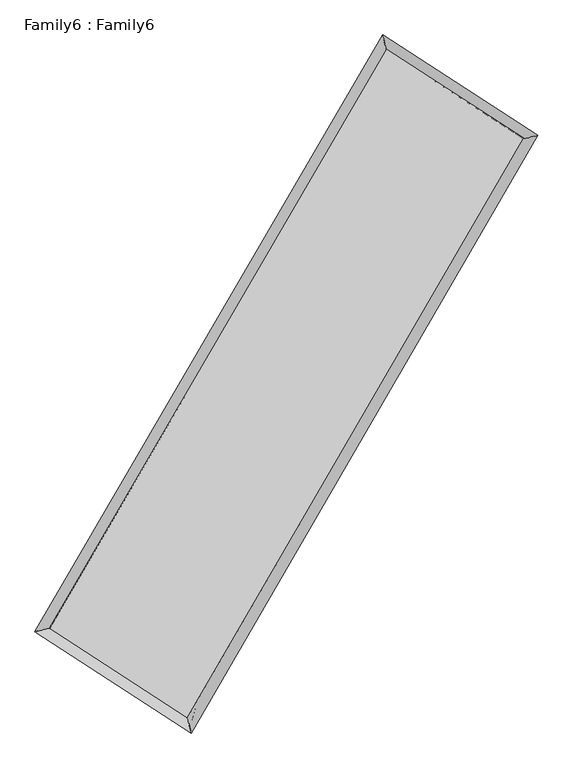
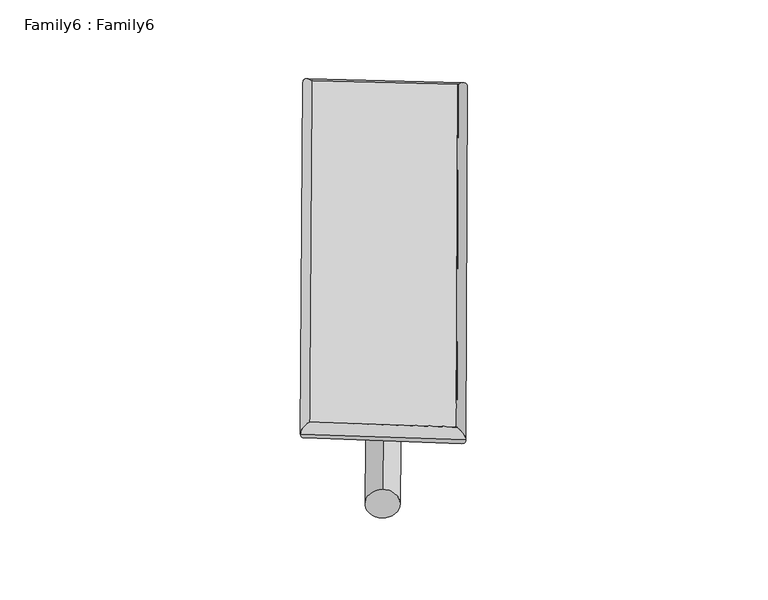
"""IFC4 building model written with IfcOpenShell, lengths in millimetres: plate geometry, Family6 : Family6."""

import ifcopenshell
import ifcopenshell.guid

model = None  # the IFC model being written
_history = None  # IfcOwnerHistory: only IFC2X3 demands one
_inside = {}  # id of a spatial element -> (the spatial element, [elements in it])
_under = {}  # id of a project, library or spatial element -> (it, [spatial elements below it])
_declared = {}  # id of a project -> (the project, [libraries it declares])
_typed = {}  # id of a type object -> (the type object, [elements of that type])
_made_of = {}  # id of a material, layer set ... -> (it, [elements and type objects made of it])


def new_model(schema):
    """Start an empty IFC model of exactly this schema.

    Asked for "IFC4X3", IfcOpenShell would pick the latest addendum, in which some entities
    have other attributes; the version numbers below select the first issue.
    IFC2X3 requires an IfcOwnerHistory on every rooted entity: one is made here for all.
    """
    global model, _history
    if schema == "IFC4X3":
        model = ifcopenshell.file(schema_version=(4, 3, 0, 0))
    else:
        model = ifcopenshell.file(schema=schema)
    _inside.clear()
    _under.clear()
    _declared.clear()
    _typed.clear()
    _made_of.clear()
    _history = None
    if model.schema == "IFC2X3":
        org = make("IfcOrganization", Name="unknown")
        user = make(
            "IfcPersonAndOrganization",
            ThePerson=make("IfcPerson", FamilyName="unknown"),
            TheOrganization=org,
        )
        app = make(
            "IfcApplication",
            ApplicationDeveloper=org,
            Version="unknown",
            ApplicationFullName="unknown",
            ApplicationIdentifier="unknown",
        )
        _history = make(
            "IfcOwnerHistory",
            OwningUser=user,
            OwningApplication=app,
            ChangeAction="ADDED",
            CreationDate=0,
        )
    return model


def make(cls, **values):
    """One entity of the class cls with the attributes given. An attribute that is None is left unset."""
    return model.create_entity(
        cls, **{name: value for name, value in values.items() if value is not None}
    )


def rooted(cls, **values):
    """An entity with a GlobalId (a new one), such as an element, a storey or a relation."""
    return make(cls, GlobalId=ifcopenshell.guid.new(), OwnerHistory=_history, **values)


def si_unit(unit_type, name, prefix=None):
    """IfcSIUnit, for example si_unit("LENGTHUNIT", "METRE", prefix="MILLI")."""
    return make("IfcSIUnit", UnitType=unit_type, Prefix=prefix, Name=name)


def assignment(units):
    """IfcUnitAssignment: the units of a project."""
    return None if units is None else make("IfcUnitAssignment", Units=units)


def point(xyz):
    """IfcCartesianPoint."""
    return None if xyz is None else make("IfcCartesianPoint", Coordinates=xyz)


def direction(xyz):
    """IfcDirection."""
    return None if xyz is None else make("IfcDirection", DirectionRatios=xyz)


def frame(location, z_axis=None, x_axis=None):
    """IfcAxis2Placement3D, a coordinate frame: its origin and axes. An axis left out is left unset."""
    return make(
        "IfcAxis2Placement3D",
        Location=point(location),
        Axis=direction(z_axis),
        RefDirection=direction(x_axis),
    )


def frame_2d(location, x_axis=None):
    """IfcAxis2Placement2D, a coordinate frame in the plane: its origin and x axis."""
    return make(
        "IfcAxis2Placement2D", Location=point(location), RefDirection=direction(x_axis)
    )


def origin():
    """The frame at (0, 0, 0) with its axes left unset."""
    return frame((0.0, 0.0, 0.0))


def origin_2d():
    """The frame at (0, 0) in the plane with its x axis left unset."""
    return frame_2d((0.0, 0.0))


def place(relative_to, where):
    """IfcLocalPlacement: puts the frame where relative to a parent placement (None: the world)."""
    return make(
        "IfcLocalPlacement", PlacementRelTo=relative_to, RelativePlacement=where
    )


def context(
    kind, dimensions, precision=None, world=None, true_north=None, identifier=None
):
    """IfcGeometricRepresentationContext, for example the 3D "Model" context."""
    return make(
        "IfcGeometricRepresentationContext",
        ContextIdentifier=identifier,
        ContextType=kind,
        CoordinateSpaceDimension=dimensions,
        Precision=precision,
        WorldCoordinateSystem=world,
        TrueNorth=true_north,
    )


def project(units=None, contexts=None):
    """IfcProject with its units and contexts."""
    return rooted(
        "IfcProject",
        Name="project",
        RepresentationContexts=contexts,
        UnitsInContext=assignment(units),
    )


def spatial(cls, under=None, at=None, **own):
    """A site, building, storey or space (cls), placed at a placement, below another one or the project."""
    s = rooted(cls, ObjectPlacement=at, **own)
    if under is not None:
        _under.setdefault(under.id(), (under, []))[1].append(s)
    return s


def circle_curve(where, radius):
    """IfcCircle in the frame where."""
    return make("IfcCircle", Position=where, Radius=radius)


def ellipse_curve(where, semi_axis1, semi_axis2):
    """IfcEllipse in the frame where."""
    return make(
        "IfcEllipse", Position=where, SemiAxis1=semi_axis1, SemiAxis2=semi_axis2
    )


def trimmed(basis, trim1, trim2, sense, master):
    """IfcTrimmedCurve: the piece of a basis curve between two trims."""
    return make(
        "IfcTrimmedCurve",
        BasisCurve=basis,
        Trim1=trim1,
        Trim2=trim2,
        SenseAgreement=sense,
        MasterRepresentation=master,
    )


def segment(curve, same_sense, transition):
    """IfcCompositeCurveSegment."""
    return make(
        "IfcCompositeCurveSegment",
        Transition=transition,
        SameSense=same_sense,
        ParentCurve=curve,
    )


def composite_curve(segments, self_intersect=None):
    """IfcCompositeCurve: segments joined end to end."""
    return make("IfcCompositeCurve", Segments=segments, SelfIntersect=self_intersect)


def outline(outer, holes=None, kind="AREA"):
    """IfcArbitraryClosedProfileDef: a profile drawn as a closed curve; with holes, ...WithVoids."""
    if holes is None:
        return make("IfcArbitraryClosedProfileDef", ProfileType=kind, OuterCurve=outer)
    return make(
        "IfcArbitraryProfileDefWithVoids",
        ProfileType=kind,
        OuterCurve=outer,
        InnerCurves=holes,
    )


def extrude(swept, where, along, depth):
    """IfcExtrudedAreaSolid: the profile swept, set in the frame where, extruded along a direction by depth."""
    return make(
        "IfcExtrudedAreaSolid",
        SweptArea=swept,
        Position=where,
        ExtrudedDirection=direction(along),
        Depth=depth,
    )


def shape(context_of_items, identifier, shape_type, items):
    """IfcShapeRepresentation: the items that make up one representation, for example the "Body"."""
    return make(
        "IfcShapeRepresentation",
        ContextOfItems=context_of_items,
        RepresentationIdentifier=identifier,
        RepresentationType=shape_type,
        Items=items,
    )


def source(mapping_origin, context_of_items, identifier, shape_type, items):
    """IfcRepresentationMap: a shape defined once, which mapped items show again and again."""
    return make(
        "IfcRepresentationMap",
        MappingOrigin=mapping_origin,
        MappedRepresentation=shape(context_of_items, identifier, shape_type, items),
    )


def transform(
    local_origin,
    x_axis=None,
    y_axis=None,
    z_axis=None,
    scale=None,
    scale2=None,
    scale3=None,
    uniform=True,
):
    """IfcCartesianTransformationOperator3D, or its non-uniform kind. x_axis, y_axis, z_axis: its Axis1, 2, 3."""
    if uniform:
        return make(
            "IfcCartesianTransformationOperator3D",
            Axis1=direction(x_axis),
            Axis2=direction(y_axis),
            LocalOrigin=point(local_origin),
            Scale=scale,
            Axis3=direction(z_axis),
        )
    return make(
        "IfcCartesianTransformationOperator3DnonUniform",
        Axis1=direction(x_axis),
        Axis2=direction(y_axis),
        LocalOrigin=point(local_origin),
        Scale=scale,
        Axis3=direction(z_axis),
        Scale2=scale2,
        Scale3=scale3,
    )


def mapped(mapping_source, mapping_target):
    """IfcMappedItem: shows the shape of a source again, moved by a transform."""
    return make(
        "IfcMappedItem", MappingSource=mapping_source, MappingTarget=mapping_target
    )


def made_of(thing, what):
    """Note that an element or type object is made of a material, layer set ...; save() writes the relation."""
    if what is not None:
        _made_of.setdefault(what.id(), (what, []))[1].append(thing)
    return thing


def element(
    cls,
    number,
    at=None,
    inside=None,
    cuts=None,
    type_object=None,
    material=None,
    context=None,
    identifier="Body",
    shape_type=None,
    held_by="IfcProductDefinitionShape",
    body=None,
    shapes=None,
    **own,
):
    """One element of the class cls, such as IfcWall. Its Tag is "e" and its number.

    at: its placement. inside: the storey or other place that contains it. cuts: it is an
    opening in that element (IfcRelVoidsElement). A single representation is given by context,
    identifier, shape_type and body (its items); several are given by shapes. held_by: the class
    of the entity that holds the representations. save() writes the other relations.
    """
    e = rooted(cls, Tag="e%d" % number, ObjectPlacement=at, **own)
    if body is not None:
        shapes = [shape(context, identifier, shape_type, body)]
    if shapes is not None:
        e.Representation = make(held_by, Representations=shapes)
    if inside is not None:
        _inside.setdefault(inside.id(), (inside, []))[1].append(e)
    if cuts is not None:
        rooted(
            "IfcRelVoidsElement", RelatingBuildingElement=cuts, RelatedOpeningElement=e
        )
    if type_object is not None:
        _typed.setdefault(type_object.id(), (type_object, []))[1].append(e)
    return made_of(e, material)


def aggregate(whole, parts):
    """IfcRelAggregates: a whole, such as a stair, and the parts it consists of."""
    return rooted("IfcRelAggregates", RelatingObject=whole, RelatedObjects=parts)


def save(model, path):
    """Write the relations noted so far, then the file.

    IfcRelAggregates (storeys below a building ...), IfcRelContainedInSpatialStructure (elements
    in a storey), IfcRelDefinesByType, IfcRelAssociatesMaterial and IfcRelDeclares: one each for
    every whole, place, type object, material and project.
    """
    for whole, parts in _under.values():
        aggregate(whole, parts)
    for where, things in _inside.values():
        rooted(
            "IfcRelContainedInSpatialStructure",
            RelatedElements=things,
            RelatingStructure=where,
        )
    for kind, things in _typed.values():
        rooted("IfcRelDefinesByType", RelatedObjects=things, RelatingType=kind)
    for what, things in _made_of.values():
        rooted("IfcRelAssociatesMaterial", RelatedObjects=things, RelatingMaterial=what)
    for by, libraries in _declared.values():
        rooted("IfcRelDeclares", RelatingContext=by, RelatedDefinitions=libraries)
    model.write(path)


def plane_surface(at):
    """IfcPlane: the flat surface through the origin of the frame at, square to its z axis."""
    return make("IfcPlane", Position=at)


def cylinder_surface(at, radius):
    """IfcCylindricalSurface: all points at the distance radius from the z axis of the frame at."""
    return make("IfcCylindricalSurface", Position=at, Radius=radius)


def spline_surface(u_degree, v_degree, points, u_multiplicities, v_multiplicities, u_knots, v_knots, weights=None):
    """IfcBSplineSurfaceWithKnots; with weights, IfcRationalBSplineSurfaceWithKnots. points: one row for each step in u."""
    own = dict(
        UDegree=u_degree,
        VDegree=v_degree,
        ControlPointsList=[[point(p) for p in row] for row in points],
        SurfaceForm="UNSPECIFIED",
        UClosed=False,
        VClosed=False,
        SelfIntersect=False,
        UMultiplicities=u_multiplicities,
        VMultiplicities=v_multiplicities,
        UKnots=u_knots,
        VKnots=v_knots,
        KnotSpec="UNSPECIFIED",
    )
    if weights is None:
        return make("IfcBSplineSurfaceWithKnots", **own)
    return make("IfcRationalBSplineSurfaceWithKnots", WeightsData=weights, **own)


def advanced_brep(points, edges, surfaces, faces):
    """IfcAdvancedBrep: a solid bounded by faces that lie on surfaces and meet in shared edges.

    An edge is (start, end): straight between two places in points (the first is 0);
    or (start, end, curve); or (start, end, curve, False) where it runs against its curve.
    A face is (place in surfaces, loops), or (place, loops, False) where it looks against
    its surface's normal. A loop lists edges by number (the first is 1), with a minus sign
    where the edge is run from its end to its start. The first loop is the outer one.
    """
    corners = [point(p) for p in points]
    vertices = [make("IfcVertexPoint", VertexGeometry=c) for c in corners]
    made = []
    for start, end, *more in edges:
        made.append(
            make(
                "IfcEdgeCurve",
                EdgeStart=vertices[start],
                EdgeEnd=vertices[end],
                EdgeGeometry=more[0] if more else make("IfcPolyline", Points=[corners[start], corners[end]]),
                SameSense=more[1] if len(more) > 1 else True,
            )
        )
    hull = []
    for where, loops, *sense in faces:
        bounds = []
        for j, loop in enumerate(loops):
            ring = [make("IfcOrientedEdge", EdgeElement=made[abs(k) - 1], Orientation=k > 0) for k in loop]
            bounds.append(
                make(
                    "IfcFaceOuterBound" if j == 0 else "IfcFaceBound",
                    Bound=make("IfcEdgeLoop", EdgeList=ring),
                    Orientation=True,
                )
            )
        hull.append(make("IfcAdvancedFace", Bounds=bounds, FaceSurface=surfaces[where], SameSense=sense[0] if sense else True))
    return make("IfcAdvancedBrep", Outer=make("IfcClosedShell", CfsFaces=hull))


def family6_family6_4eb03f45(model_context):
    return source(origin(), model_context, "Body", "SolidModel", [
        extrude(outline(composite_curve([segment(trimmed(circle_curve(origin_2d(), 76.2), [point((-75.4341515, -10.7763074))], [point((75.4341515, 10.7763074))], False, "CARTESIAN"), True, "CONTINUOUS"), segment(trimmed(circle_curve(origin_2d(), 76.2), [point((75.4341515, 10.7763074))], [point((-75.4341515, -10.7763074))], False, "CARTESIAN"), True, "CONTINUOUS")], self_intersect=False)), frame((9144.0, 9144.0, 0.0), z_axis=(0.6694276860364113, 0.6893095331258828, 0.2769818418411458), x_axis=(-0.6815629321630439, 0.7182154028982458, -0.14013780553806499)), (0.0, 0.0, 1.0), 5526.3409001),
        extrude(outline(composite_curve([segment(trimmed(circle_curve(origin_2d(), 76.2), [point((-53.8815367, 53.8815367))], [point((53.8815367, -53.8815367))], False, "CARTESIAN"), True, "CONTINUOUS"), segment(trimmed(circle_curve(origin_2d(), 76.2), [point((53.8815367, -53.8815367))], [point((-53.8815367, 53.8815367))], False, "CARTESIAN"), True, "CONTINUOUS")], self_intersect=False)), frame((9144.0, 9144.0, 0.0), z_axis=(-0.6707312588875749, -0.688051111252189, 0.2769571206084378), x_axis=(0.6444685154934929, -0.35581895968030575, 0.6767962769324596)), (0.0, 0.0, 1.0), 5526.9109281),
        extrude(outline(composite_curve([segment(trimmed(circle_curve(origin_2d(), 76.2), [point((-53.8815367, -53.8815368))], [point((53.8815367, 53.8815368))], False, "CARTESIAN"), True, "CONTINUOUS"), segment(trimmed(circle_curve(origin_2d(), 76.2), [point((53.8815367, 53.8815368))], [point((-53.8815367, -53.8815368))], False, "CARTESIAN"), True, "CONTINUOUS")], self_intersect=False)), frame((9144.0, 9144.0, 0.0), z_axis=(0.2737367553535247, 0.9235216247977591, 0.268655908737239), x_axis=(-0.8394085436652027, 0.36575345629451594, -0.4020170469401507)), (0.0, 0.0, 1.0), 5636.9734429),
        extrude(outline(composite_curve([segment(trimmed(circle_curve(origin_2d(), 76.2), [point((-75.4341514, 10.7763074))], [point((75.4341514, -10.7763074))], False, "CARTESIAN"), True, "CONTINUOUS"), segment(trimmed(circle_curve(origin_2d(), 76.2), [point((75.4341514, -10.7763074))], [point((-75.4341514, 10.7763074))], False, "CARTESIAN"), True, "CONTINUOUS")], self_intersect=False)), frame((9144.0, 9144.0, 0.0), z_axis=(-0.2723089355341062, -0.9240162028250454, 0.26840622299988987), x_axis=(0.8797326517909587, -0.12609044830583402, 0.45844482788977103)), (0.0, 0.0, 1.0), 5642.686397),
        advanced_brep(
        [(5232.1917936, 5292.5518041, 1529.4225656), (5232.1833575, 5292.5401773, 1532.315024), (5641.6643573, 5389.8537842, 1532.0121074), (10738.2808743, 14135.1238193, 1516.1778958), (10635.8127663, 14564.6099266, 1512.6345499), (5641.6727934, 5389.865411, 1529.119649), (12638.8335496, 12904.3279753, 1530.5347762), (13048.1376523, 13002.3909561, 1530.8573861), (7556.0981166, 4145.2245643, 1514.8440965), (7658.7940308, 3714.9081191, 1514.2201903)],
        [
            (0, 1, ellipse_curve(frame((5436.9280754, 5341.2027941, 1530.7173365), z_axis=(-0.23120810064912495, 0.972898936052053, 0.003236421327269136), x_axis=(-0.9728841704067571, -0.23122344211145318, 0.00566663834097334)), 210.45463, 152.4)),
            (1, 2, ellipse_curve(frame((5436.9280754, 5341.2027941, 1530.7173365), z_axis=(-0.23120810064912495, 0.972898936052053, 0.003236421327269136), x_axis=(-0.9728841704067571, -0.23122344211145318, 0.00566663834097334)), 210.45463, 152.4)),
            (2, 3),
            (3, 4, ellipse_curve(frame((10687.0468203, 14349.866873, 1514.4062228), z_axis=(-0.9726869317093848, -0.23209516255653923, -0.0034595374887454967), x_axis=(0.23207470635027297, -0.9726826258120326, 0.005462610716861926)), 220.7781642, 152.4)),
            (4, 0),
            (2, 5, ellipse_curve(frame((5436.9280754, 5341.2027941, 1530.7173365), z_axis=(-0.23120810064912495, 0.972898936052053, 0.003236421327269136), x_axis=(-0.9728841704067571, -0.23122344211145318, 0.00566663834097334)), 210.45463, 152.4)),
            (5, 0, ellipse_curve(frame((5436.9280754, 5341.2027941, 1530.7173365), z_axis=(-0.23120810064912495, 0.972898936052053, 0.003236421327269136), x_axis=(-0.9728841704067571, -0.23122344211145318, 0.00566663834097334)), 210.45463, 152.4)),
            (4, 3, ellipse_curve(frame((10687.0468203, 14349.866873, 1514.4062228), z_axis=(-0.9726869317093848, -0.23209516255653923, -0.0034595374887454967), x_axis=(0.23207470635027297, -0.9726826258120326, 0.005462610716861926)), 220.7781642, 152.4)),
            (3, 6),
            (6, 7, ellipse_curve(frame((12843.485601, 12953.3594657, 1530.6960811), z_axis=(-0.23298727467177782, 0.9724741576435059, -0.0033079535321769537), x_axis=(-0.9724591575259777, -0.23300313960869137, -0.00572047868263278)), 210.4460996, 152.4)),
            (7, 4),
            (7, 6, ellipse_curve(frame((12843.485601, 12953.3594657, 1530.6960811), z_axis=(-0.23298727467177782, 0.9724741576435059, -0.0033079535321769537), x_axis=(-0.9724591575259777, -0.23300313960869137, -0.00572047868263278)), 210.4460996, 152.4)),
            (6, 8),
            (8, 9, ellipse_curve(frame((7607.4460737, 3930.0663417, 1514.5321434), z_axis=(0.9726772576660851, 0.23213639721310753, -0.00341255155306926), x_axis=(-0.23211652433098431, 0.9726730995458001, 0.0053815009495483184)), 221.2026781, 152.4)),
            (9, 7),
            (9, 8, ellipse_curve(frame((7607.4460737, 3930.0663417, 1514.5321434), z_axis=(0.9726772576660851, 0.23213639721310753, -0.00341255155306926), x_axis=(-0.23211652433098431, 0.9726730995458001, 0.0053815009495483184)), 221.2026781, 152.4)),
            (8, 5),
            (1, 9),
        ],
        [
            cylinder_surface(frame((5436.9280754, 5341.2027941, 1530.7173365), z_axis=(-0.5035172129675419, -0.8639837782690953, 0.0015643315690451074), x_axis=(-0.8639496256448441, 0.503479229581609, -0.00998547585462385)), 152.4),
            cylinder_surface(frame((10687.0468203, 14349.866873, 1514.4062228), z_axis=(-0.8393464615662742, 0.5435598549369808, -0.00634046978256054), x_axis=(0.543590542606135, 0.839335766258792, -0.004979303960834833)), 152.4),
            cylinder_surface(frame((12843.485601, 12953.3594657, 1530.6960811), z_axis=(0.5018989086483963, 0.8649249013011945, 0.001549389127311437), x_axis=(0.8649261885415901, -0.5018989086483963, -0.00041698017519457397)), 152.4),
            cylinder_surface(frame((7607.4460737, 3930.0663417, 1514.5321434), z_axis=(0.8383743224506229, -0.5450590910374318, -0.006251618423078788), x_axis=(-0.5450404079279493, -0.8383975399422188, 0.004529762087601999)), 152.4),
        ],
        [
            (0, [[1, 2, 3, 4, 5]]),
            (0, [[6, 7, -5, 8, -3]]),
            (1, [[-4, 9, 10, 11]]),
            (1, [[-8, -11, 12, -9]]),
            (2, [[-10, 13, 14, 15]]),
            (2, [[-12, -15, 16, -13]]),
            (3, [[-14, 17, -6, -2, 18]]),
            (3, [[-16, -18, -1, -7, -17]]),
        ],
    ),
        extrude(outline(composite_curve([segment(trimmed(circle_curve(origin_2d(), 304.8), [point((0.0, -304.8))], [point((0.0, 304.8))], False, "CARTESIAN"), True, "CONTINUOUS"), segment(trimmed(circle_curve(origin_2d(), 304.8), [point((0.0, 304.8))], [point((0.0, -304.8))], False, "CARTESIAN"), True, "CONTINUOUS")], self_intersect=False)), frame((6509.4912277, 4633.6106484, -0.0007479), z_axis=(0.5043635004939242, 0.8634914356086546, 1.4317302680504446e-07), x_axis=(-0.8634914356086654, 0.5043635004939241, 3.875051293279326e-08)), (0.0, 0.0, 1.0), 10446.8652857),
        advanced_brep(
        [(5436.9280754, 5341.2027941, 1530.7173365), (7607.4460737, 3930.0663417, 1514.5321434), (7607.4471019, 3930.0669269, 1666.9321434), (5436.9291037, 5341.2033794, 1683.1173365), (12843.485601, 12953.3594657, 1530.6960811), (12843.4866292, 12953.3600509, 1683.0960811), (10687.0468203, 14349.866873, 1514.4062228), (10687.0478485, 14349.8674582, 1666.8062228)],
        [
            (0, 1),
            (1, 2),
            (2, 3),
            (3, 0),
            (1, 4),
            (4, 5),
            (5, 2),
            (4, 6),
            (6, 7),
            (7, 5),
            (6, 0),
            (3, 7),
        ],
        [
            plane_surface(frame((6522.1870746, 4635.6345679, 1522.6247399), z_axis=(-0.5450697063860911, -0.8383907293932894, 6.89701678651582e-06), x_axis=(0.8383743224506226, -0.5450590910374322, -0.006251618423078783))),
            plane_surface(frame((10225.4658373, 8441.7129037, 1522.6141123), z_axis=(0.8649259425078667, -0.5018995058391716, -3.908198442923068e-06), x_axis=(0.5018989086483964, 0.8649249013011943, 0.0015493891273114396))),
            plane_surface(frame((11765.2662106, 13651.6131693, 1522.551152), z_axis=(0.5435708179022068, 0.8393633098233714, -6.89063877716339e-06), x_axis=(-0.839346461566274, 0.5435598549369809, -0.0063404697825605386))),
            plane_surface(frame((8061.9874479, 9845.5348335, 1522.5617797), z_axis=(-0.8639848323377254, 0.5035178343168961, 3.895634360456162e-06), x_axis=(-0.5035172129675419, -0.8639837782690953, 0.0015643315690451098))),
            spline_surface(1, 1, [[(7607.4471019, 3930.0669269, 1666.9321434), (5436.9291037, 5341.2033794, 1683.1173365)], [(12843.4866292, 12953.3600509, 1683.0960811), (10687.0478485, 14349.8674582, 1666.8062228)]], [2, 2], [2, 2], [0.0, 1.0], [0.0, 1.0]),
            spline_surface(1, 1, [[(10687.0468203, 14349.866873, 1514.4062228), (5436.9280754, 5341.2027941, 1530.7173365)], [(12843.485601, 12953.3594657, 1530.6960811), (7607.4460737, 3930.0663417, 1514.5321434)]], [2, 2], [2, 2], [0.0, 1.0], [0.0, 1.0]),
        ],
        [
            (0, [[1, 2, 3, 4]]),
            (1, [[5, 6, 7, -2]]),
            (2, [[8, 9, 10, -6]]),
            (3, [[11, -4, 12, -9]]),
            (4, [[-3, -7, -10, -12]]),
            (5, [[-11, -8, -5, -1]]),
        ],
    ),
    ])


if __name__ == "__main__":
    model = new_model("IFC4")
    model_context = context("Model", 3, world=origin())
    ifc_project = project(units=[si_unit("LENGTHUNIT", "METRE", prefix="MILLI")], contexts=[model_context])
    site = spatial("IfcSite", under=ifc_project)
    building = spatial("IfcBuilding", under=site)
    placement = place(None, origin())
    family6_family6_shape = family6_family6_4eb03f45(model_context)
    element("IfcPlate", 1, ObjectType="Family6 : Family6", at=placement, inside=building, context=model_context, shape_type="MappedRepresentation", body=[
        mapped(family6_family6_shape, transform((0.0, 0.0, 0.0), x_axis=(1.0, 0.0, 0.0), y_axis=(0.0, 1.0, 0.0), z_axis=(0.0, 0.0, 1.0))),
    ])
    save(model, "model.ifc")
